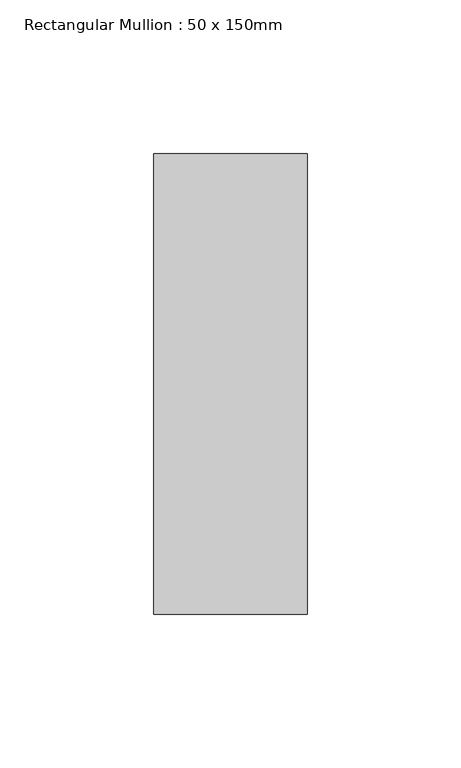
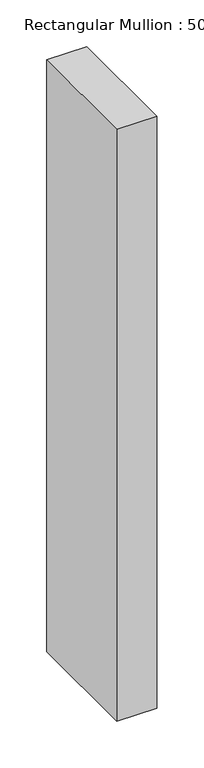
"""IFC4 building model written with IfcOpenShell, lengths in millimetres: member geometry, Rectangular Mullion : 50 x 150mm."""

from ifc_helpers import new_model, si_unit, frame, origin, place, context, project, spatial, polyline, outline, extrude, source, transform, mapped, element, save


def rectangular_mullion_50_x_150mm_6270d9f9(model_context):
    return source(origin(), model_context, "Body", "SweptSolid", [
        extrude(outline(polyline([(25.0, 75.0), (25.0, -75.0), (-25.0, -75.0), (-25.0, 75.0), (25.0, 75.0)])), frame((0.0, 0.0, -775.0), z_axis=(0.0, 0.0, 1.0), x_axis=(1.0, 0.0, 0.0)), (0.0, 0.0, 1.0), 775.0),
    ])


if __name__ == "__main__":
    model = new_model("IFC4")
    model_context = context("Model", 3, world=origin())
    ifc_project = project(units=[si_unit("LENGTHUNIT", "METRE", prefix="MILLI")], contexts=[model_context])
    site = spatial("IfcSite", under=ifc_project)
    building = spatial("IfcBuilding", under=site)
    placement = place(None, origin())
    rectangular_mullion_50_x_150mm_shape = rectangular_mullion_50_x_150mm_6270d9f9(model_context)
    element("IfcMember", 1, ObjectType="Rectangular Mullion : 50 x 150mm", at=placement, inside=building, context=model_context, shape_type="MappedRepresentation", body=[
        mapped(rectangular_mullion_50_x_150mm_shape, transform((0.0, 0.0, 0.0), x_axis=(1.0, 0.0, 0.0), y_axis=(0.0, 1.0, 0.0), z_axis=(0.0, 0.0, 1.0))),
    ])
    save(model, "model.ifc")
